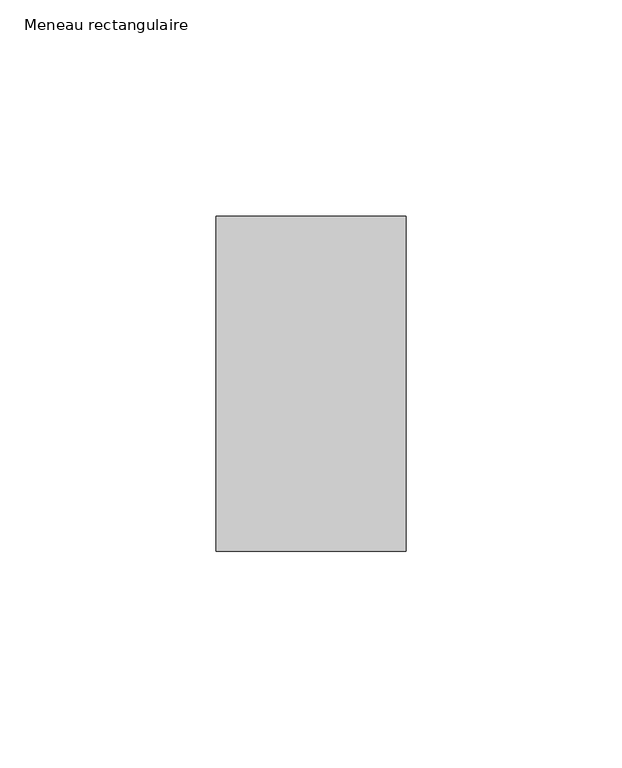
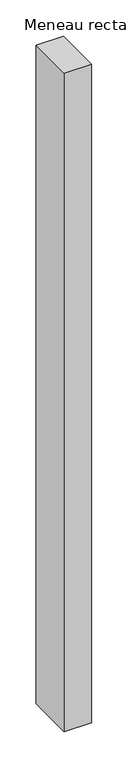
"""IFC4 building model written with IfcOpenShell, lengths in millimetres: member geometry, Meneau rectangulaire."""

from ifc_helpers import new_model, si_unit, frame, origin, place, context, project, spatial, polyline, outline, extrude, source, transform, mapped, element, save


def meneau_rectangulaire_cae3f0f1(model_context):
    return source(origin(), model_context, "Body", "SweptSolid", [
        extrude(outline(polyline([(-44.0, 38.75), (0.0, 38.75), (0.0, -38.75), (-44.0, -38.75), (-44.0, 38.75)])), frame((0.0, 0.0, -1109.8749998), z_axis=(0.0, 0.0, 1.0), x_axis=(1.0, 0.0, 0.0)), (0.0, 0.0, 1.0), 1109.8749998),
    ])


if __name__ == "__main__":
    model = new_model("IFC4")
    model_context = context("Model", 3, world=origin())
    ifc_project = project(units=[si_unit("LENGTHUNIT", "METRE", prefix="MILLI")], contexts=[model_context])
    site = spatial("IfcSite", under=ifc_project)
    building = spatial("IfcBuilding", under=site)
    placement = place(None, origin())
    meneau_rectangulaire_shape = meneau_rectangulaire_cae3f0f1(model_context)
    element("IfcMember", 1, ObjectType="Meneau rectangulaire", at=placement, inside=building, context=model_context, shape_type="MappedRepresentation", body=[
        mapped(meneau_rectangulaire_shape, transform((0.0, 0.0, 0.0), x_axis=(1.0, 0.0, 0.0), y_axis=(0.0, 1.0, 0.0), z_axis=(0.0, 0.0, 1.0))),
    ])
    save(model, "model.ifc")
